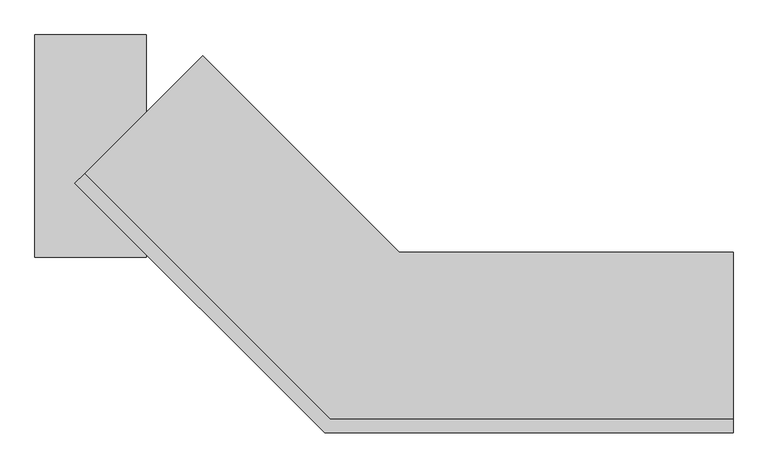
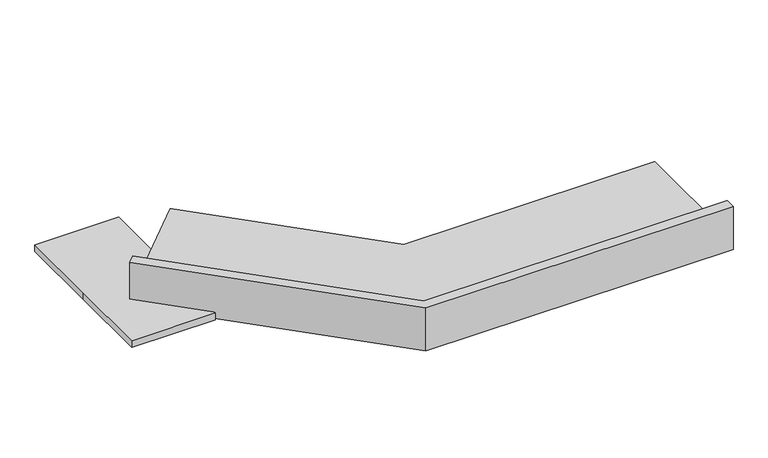
"""IFC4 building model written with IfcOpenShell, lengths in millimetres: proxy geometry."""

from ifc_helpers import new_model, si_unit, frame, origin, place, context, project, spatial, polyline, outline, extrude, source, transform, mapped, element, save


def specialty_equipment_2307af14(model_context):
    return source(origin(), model_context, "Body", "SweptSolid", [
        extrude(outline(polyline([(656.9660168, -747.8563381), (1760.7444575, -747.8563381), (1760.7444575, -785.9563381), (641.1844801, -785.9563381), (-42.7008985, -102.0709596), (-15.7601301, -75.1301912), (656.9660168, -747.8563381)])), frame((0.0, 0.0, 838.2), z_axis=(0.0, 0.0, 1.0), x_axis=(1.0, 0.0, 0.0)), (0.0, 0.0, 1.0), 165.1),
        extrude(outline(polyline([(1760.7444575, -290.6563381), (1760.7444575, -747.8563381), (656.9660168, -747.8563381), (-15.7601301, -75.1301912), (307.5290903, 248.1590292), (846.3444575, -290.6563381), (1760.7444575, -290.6563381)])), frame((0.0, 0.0, 838.2), z_axis=(0.0, 0.0, 1.0), x_axis=(1.0, 0.0, 0.0)), (0.0, 0.0, 1.0), 38.1),
        extrude(outline(polyline([(-152.4, -304.8), (-152.4, 0.0), (-152.4, 304.8), (152.4, 304.8), (152.4, -304.8), (-152.4, -304.8)])), frame((0.0, 0.0, 838.2), z_axis=(0.0, 0.0, 1.0), x_axis=(1.0, 0.0, 0.0)), (0.0, 0.0, 1.0), 25.4),
    ])


if __name__ == "__main__":
    model = new_model("IFC4")
    model_context = context("Model", 3, world=origin())
    ifc_project = project(units=[si_unit("LENGTHUNIT", "METRE", prefix="MILLI")], contexts=[model_context])
    site = spatial("IfcSite", under=ifc_project)
    building = spatial("IfcBuilding", under=site)
    placement = place(None, origin())
    specialty_equipment_shape = specialty_equipment_2307af14(model_context)
    element("IfcBuildingElementProxy", 1, Name="Specialty Equipment", at=placement, inside=building, context=model_context, shape_type="MappedRepresentation", body=[
        mapped(specialty_equipment_shape, transform((0.0, 0.0, 0.0), x_axis=(1.0, 0.0, 0.0), y_axis=(0.0, 1.0, 0.0), z_axis=(0.0, 0.0, 1.0))),
    ])
    save(model, "model.ifc")
